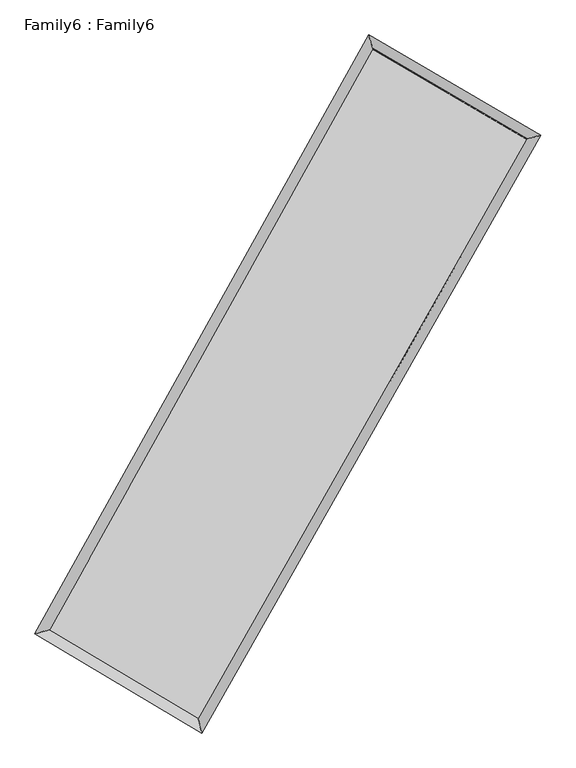
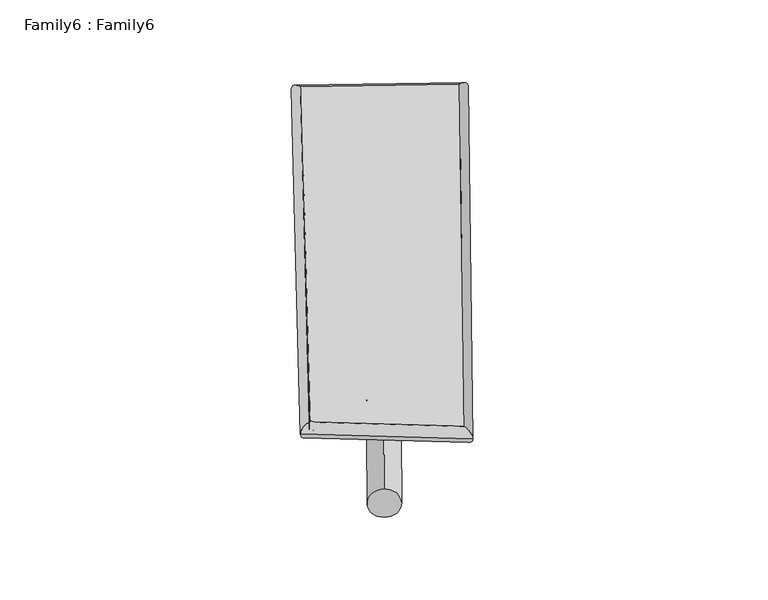
"""IFC4 building model written with IfcOpenShell, lengths in millimetres: plate geometry, Family6 : Family6."""

from ifc_helpers import new_model, si_unit, point, frame, origin, origin_2d, place, context, project, spatial, circle_curve, ellipse_curve, trimmed, segment, composite_curve, outline, extrude, source, transform, mapped, element, save
from ifc_brep_helpers import plane_surface, cylinder_surface, spline_surface, advanced_brep


def family6_family6_30937e4c(model_context):
    return source(origin(), model_context, "Body", "SolidModel", [
        extrude(outline(composite_curve([segment(trimmed(circle_curve(origin_2d(), 76.2), [point((-75.4341514, -10.7763074))], [point((75.4341514, 10.7763074))], False, "CARTESIAN"), True, "CONTINUOUS"), segment(trimmed(circle_curve(origin_2d(), 76.2), [point((75.4341514, 10.7763074))], [point((-75.4341514, -10.7763074))], False, "CARTESIAN"), True, "CONTINUOUS")], self_intersect=False)), frame((9144.0, 9144.0, 0.0), z_axis=(0.672842084567152, 0.684985517995781, 0.2794250693323367), x_axis=(-0.6777297978592152, 0.7221699083599304, -0.1383941637249098)), (0.0, 0.0, 1.0), 5570.979288),
        extrude(outline(composite_curve([segment(trimmed(circle_curve(origin_2d(), 76.2), [point((-53.8815367, 53.8815367))], [point((53.8815367, -53.8815367))], False, "CARTESIAN"), True, "CONTINUOUS"), segment(trimmed(circle_curve(origin_2d(), 76.2), [point((53.8815367, -53.8815367))], [point((-53.8815367, 53.8815367))], False, "CARTESIAN"), True, "CONTINUOUS")], self_intersect=False)), frame((9144.0, 9144.0, 0.0), z_axis=(-0.6682549798404531, -0.6890425928136881, 0.28045603435659155), x_axis=(0.6473933464458778, -0.3529067807732045, 0.6755284294993817)), (0.0, 0.0, 1.0), 5552.323977),
        extrude(outline(composite_curve([segment(trimmed(circle_curve(origin_2d(), 76.2), [point((-53.8815367, -53.8815367))], [point((53.8815367, 53.8815367))], False, "CARTESIAN"), True, "CONTINUOUS"), segment(trimmed(circle_curve(origin_2d(), 76.2), [point((53.8815367, 53.8815367))], [point((-53.8815367, -53.8815367))], False, "CARTESIAN"), True, "CONTINUOUS")], self_intersect=False)), frame((9144.0, 9144.0, 0.0), z_axis=(0.23928852421084817, 0.9338040774306681, 0.26599050200120583), x_axis=(-0.8451788080092503, 0.33516940768952747, -0.41633430154277984)), (0.0, 0.0, 1.0), 5595.9022232),
        extrude(outline(composite_curve([segment(trimmed(circle_curve(origin_2d(), 76.2), [point((-75.4341514, 10.7763073))], [point((75.4341514, -10.7763073))], False, "CARTESIAN"), True, "CONTINUOUS"), segment(trimmed(circle_curve(origin_2d(), 76.2), [point((75.4341514, -10.7763073))], [point((-75.4341514, 10.7763073))], False, "CARTESIAN"), True, "CONTINUOUS")], self_intersect=False)), frame((9144.0, 9144.0, 0.0), z_axis=(-0.24540690079869926, -0.9322599531575355, 0.26583233960353175), x_axis=(0.8878003576385238, -0.10599805713631898, 0.44785593315287764)), (0.0, 0.0, 1.0), 5596.4800343),
        advanced_brep(
        [(5228.5681237, 5263.2250422, 1552.4530354), (5228.4562563, 5263.0423558, 1563.6389471), (5638.6955816, 5373.1995392, 1561.9124928), (10540.2668759, 14159.4685282, 1495.198668), (10425.8034933, 14579.4840977, 1481.715015), (5638.807449, 5373.3822256, 1550.726581), (12685.6724191, 12904.4383309, 1555.9401004), (13099.1062153, 13015.6419358, 1557.4024472), (7714.7852809, 4137.1988996, 1489.0257393), (7826.3850779, 3716.0526712, 1486.4250228)],
        [
            (0, 1, ellipse_curve(frame((5433.6318527, 5318.2122907, 1557.1827641), z_axis=(-0.25925848701362353, 0.9657180470688665, 0.013179168293227005), x_axis=(-0.9654661084532623, -0.2595056278648667, 0.023065613683034662)), 212.5669602, 152.4)),
            (1, 2, ellipse_curve(frame((5433.6318527, 5318.2122907, 1557.1827641), z_axis=(-0.25925848701362353, 0.9657180470688665, 0.013179168293227005), x_axis=(-0.9654661084532623, -0.2595056278648667, 0.023065613683034662)), 212.5669602, 152.4)),
            (2, 3),
            (3, 4, ellipse_curve(frame((10483.0351846, 14369.4763129, 1488.4568415), z_axis=(-0.9646324542508621, -0.2632916213698413, -0.012718110016765033), x_axis=(0.2629839011076918, -0.964555231723448, 0.021741037535159012)), 217.7806016, 152.4)),
            (4, 0),
            (2, 5, ellipse_curve(frame((5433.6318527, 5318.2122907, 1557.1827641), z_axis=(-0.25925848701362353, 0.9657180470688665, 0.013179168293227005), x_axis=(-0.9654661084532623, -0.2595056278648667, 0.023065613683034662)), 212.5669602, 152.4)),
            (5, 0, ellipse_curve(frame((5433.6318527, 5318.2122907, 1557.1827641), z_axis=(-0.25925848701362353, 0.9657180470688665, 0.013179168293227005), x_axis=(-0.9654661084532623, -0.2595056278648667, 0.023065613683034662)), 212.5669602, 152.4)),
            (4, 3, ellipse_curve(frame((10483.0351846, 14369.4763129, 1488.4568415), z_axis=(-0.9646324542508621, -0.2632916213698413, -0.012718110016765033), x_axis=(0.2629839011076918, -0.964555231723448, 0.021741037535159012)), 217.7806016, 152.4)),
            (3, 6),
            (6, 7, ellipse_curve(frame((12892.3893172, 12960.0401333, 1556.6712738), z_axis=(-0.2596822056404201, 0.9656132604230947, -0.012497334468089484), x_axis=(-0.9653806104353234, -0.25990589740040854, -0.022117899810123524)), 214.1017991, 152.4)),
            (7, 4),
            (7, 6, ellipse_curve(frame((12892.3893172, 12960.0401333, 1556.6712738), z_axis=(-0.2596822056404201, 0.9656132604230947, -0.012497334468089484), x_axis=(-0.9653806104353234, -0.25990589740040854, -0.022117899810123524)), 214.1017991, 152.4)),
            (6, 8),
            (8, 9, ellipse_curve(frame((7770.5851794, 3926.6257854, 1487.7253811), z_axis=(0.9665283419144727, 0.25620431829095297, -0.013502279997406445), x_axis=(-0.2558690025677435, 0.9664494510024749, 0.022505825512589176)), 217.8758976, 152.4)),
            (9, 7),
            (9, 8, ellipse_curve(frame((7770.5851794, 3926.6257854, 1487.7253811), z_axis=(0.9665283419144727, 0.25620431829095297, -0.013502279997406445), x_axis=(-0.2558690025677435, 0.9664494510024749, 0.022505825512589176)), 217.8758976, 152.4)),
            (8, 5),
            (1, 9),
        ],
        [
            cylinder_surface(frame((5433.6318527, 5318.2122907, 1557.1827641), z_axis=(-0.4871741006239611, -0.8732796965576012, 0.006630781364093204), x_axis=(-0.8728066574985068, 0.4866257030468755, -0.03746950440582489)), 152.4),
            cylinder_surface(frame((10483.0351846, 14369.4763129, 1488.4568415), z_axis=(-0.8629001019810604, 0.5047836707323806, -0.024430713518419897), x_axis=(0.5052473933503737, 0.8627586890192943, -0.019300674453534162)), 152.4),
            cylinder_surface(frame((12892.3893172, 12960.0401333, 1556.6712738), z_axis=(0.49321083912748404, 0.8698844686077303, 0.006639235062094509), x_axis=(0.8699080419583569, -0.4932108391274841, -0.0017512005426615312)), 152.4),
            cylinder_surface(frame((7770.5851794, 3926.6257854, 1487.7253811), z_axis=(0.8589251327643072, -0.5114644824653413, -0.025528405400219778), x_axis=(-0.5111675452191771, -0.8593020482277015, 0.01754225259986793)), 152.4),
        ],
        [
            (0, [[1, 2, 3, 4, 5]]),
            (0, [[6, 7, -5, 8, -3]]),
            (1, [[-4, 9, 10, 11]]),
            (1, [[-8, -11, 12, -9]]),
            (2, [[-10, 13, 14, 15]]),
            (2, [[-12, -15, 16, -13]]),
            (3, [[-14, 17, -6, -2, 18]]),
            (3, [[-16, -18, -1, -7, -17]]),
        ],
    ),
        extrude(outline(composite_curve([segment(trimmed(circle_curve(origin_2d(), 304.8), [point((-1e-07, 304.8))], [point((0.0, -304.7999999))], False, "CARTESIAN"), True, "CONTINUOUS"), segment(trimmed(circle_curve(origin_2d(), 304.8), [point((0.0, -304.7999999))], [point((-1e-07, 304.8))], False, "CARTESIAN"), True, "CONTINUOUS")], self_intersect=False)), frame((11729.6688423, 13662.9669122, -0.04264), z_axis=(-0.4966314453956852, -0.8679615241340585, 8.189906741263251e-06), x_axis=(-0.8679615241699665, 0.49663144539568527, -2.177435225522092e-06)), (0.0, 0.0, 1.0), 10412.8277269),
        advanced_brep(
        [(5433.6318527, 5318.2122907, 1557.1827641), (7770.5851794, 3926.6257854, 1487.7253811), (7770.570504, 3926.6309872, 1640.1253803), (5433.6171772, 5318.2174925, 1709.5827633), (12892.3893172, 12960.0401333, 1556.6712738), (12892.3746418, 12960.0453351, 1709.071273), (10483.0351846, 14369.4763129, 1488.4568415), (10483.0205092, 14369.4815147, 1640.8568407)],
        [
            (0, 1),
            (1, 2),
            (2, 3),
            (3, 0),
            (1, 4),
            (4, 5),
            (5, 2),
            (4, 6),
            (6, 7),
            (7, 5),
            (6, 0),
            (3, 7),
        ],
        [
            plane_surface(frame((6602.108516, 4622.4190381, 1522.4540726), z_axis=(-0.5116316619710658, -0.8592048894594791, -1.9941153002807355e-05), x_axis=(0.8589251327643075, -0.5114644824653409, -0.02552840540021979))),
            plane_surface(frame((10331.4872483, 8443.3329594, 1522.1983274), z_axis=(0.8699033074079777, -0.4932222882633725, 0.00010060270556673306), x_axis=(0.49321083912748404, 0.8698844686077303, 0.006639235062094514))),
            plane_surface(frame((11687.7122509, 13664.7582231, 1522.5640576), z_axis=(0.504933976453582, 0.8631579687725877, 1.916126739828425e-05), x_axis=(-0.8629001019810603, 0.5047836707323808, -0.024430713518419897))),
            plane_surface(frame((7958.3335186, 9843.8443018, 1522.8198028), z_axis=(-0.8732992160053137, 0.4871842250927839, -0.00010072362305114718), x_axis=(-0.4871741006239612, -0.8732796965576013, 0.006630781364093211))),
            spline_surface(1, 1, [[(7770.570504, 3926.6309872, 1640.1253803), (5433.6171772, 5318.2174925, 1709.5827633)], [(12892.3746418, 12960.0453351, 1709.071273), (10483.0205092, 14369.4815147, 1640.8568407)]], [2, 2], [2, 2], [0.0, 1.0], [0.0, 1.0]),
            spline_surface(1, 1, [[(10483.0351846, 14369.4763129, 1488.4568415), (5433.6318527, 5318.2122907, 1557.1827641)], [(12892.3893172, 12960.0401333, 1556.6712738), (7770.5851794, 3926.6257854, 1487.7253811)]], [2, 2], [2, 2], [0.0, 1.0], [0.0, 1.0]),
        ],
        [
            (0, [[1, 2, 3, 4]]),
            (1, [[5, 6, 7, -2]]),
            (2, [[8, 9, 10, -6]]),
            (3, [[11, -4, 12, -9]]),
            (4, [[-3, -7, -10, -12]]),
            (5, [[-11, -8, -5, -1]]),
        ],
    ),
    ])


if __name__ == "__main__":
    model = new_model("IFC4")
    model_context = context("Model", 3, world=origin())
    ifc_project = project(units=[si_unit("LENGTHUNIT", "METRE", prefix="MILLI")], contexts=[model_context])
    site = spatial("IfcSite", under=ifc_project)
    building = spatial("IfcBuilding", under=site)
    placement = place(None, origin())
    family6_family6_shape = family6_family6_30937e4c(model_context)
    element("IfcPlate", 1, ObjectType="Family6 : Family6", at=placement, inside=building, context=model_context, shape_type="MappedRepresentation", body=[
        mapped(family6_family6_shape, transform((0.0, 0.0, 0.0), x_axis=(1.0, 0.0, 0.0), y_axis=(0.0, 1.0, 0.0), z_axis=(0.0, 0.0, 1.0))),
    ])
    save(model, "model.ifc")
